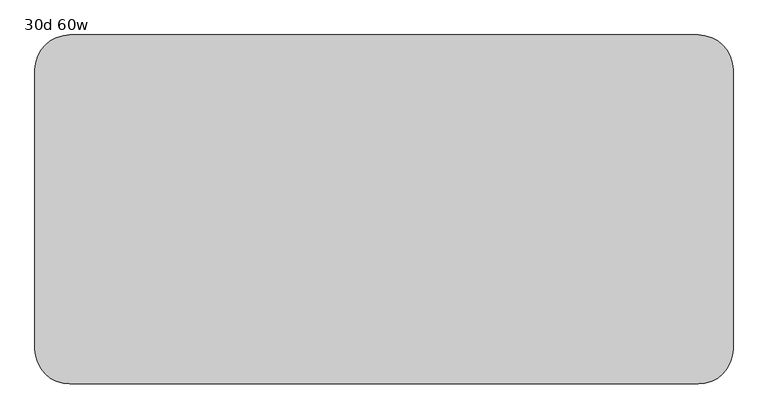
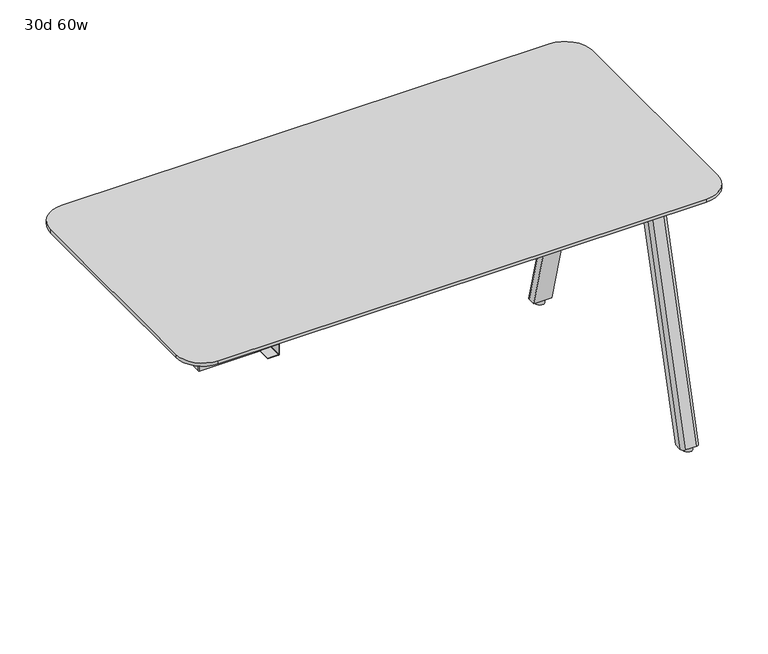
"""IFC4 building model written with IfcOpenShell, lengths in millimetres: furniture geometry, 30d 60w."""

from ifc_helpers import new_model, si_unit, point, frame, frame_2d, origin, origin_with_axes, place, context, project, spatial, polyline, circle_curve, trimmed, segment, composite_curve, outline, extrude, source, transform, mapped, element, save
from ifc_brep_helpers import plane_surface, cylinder_surface, revolved_surface, extruded_surface, advanced_brep


def furniture_30d_60w_472b2105(model_context):
    return source(origin(), model_context, "Body", "SolidModel", [
        extrude(outline(composite_curve([segment(trimmed(circle_curve(frame_2d((708.2866241, 10.4825733)), 2.9133759), [point((711.2, 10.4825733))], [point((708.2866241, 7.5691973))], False, "CARTESIAN"), True, "CONTINUOUS"), segment(polyline([(708.2866241, 7.5691973), (549.0057593, 7.5691973)]), True, "CONTINUOUS"), segment(trimmed(circle_curve(frame_2d((549.0057593, 10.4825778)), 2.9133805), [point((549.0057593, 7.5691973))], [point((546.0923788, 10.4825778))], False, "CARTESIAN"), True, "CONTINUOUS"), segment(polyline([(546.0923788, 10.4825778), (546.0923788, 59.011815)]), True, "CONTINUOUS"), segment(trimmed(circle_curve(frame_2d((545.0763787, 59.011815)), 1.0160002), [point((546.0923788, 59.011815))], [point((545.0763787, 60.0278151))], True, "CARTESIAN"), True, "CONTINUOUS"), segment(polyline([(545.0763787, 60.0278151), (516.6283794, 60.0278151)]), True, "CONTINUOUS"), segment(trimmed(circle_curve(frame_2d((516.6283797, 59.011815)), 1.0160002), [point((516.6283794, 60.0278151))], [point((515.6123795, 59.011815))], True, "CARTESIAN"), True, "CONTINUOUS"), segment(polyline([(515.6123795, 59.011815), (515.6123792, 30.1751951), (513.7149992, 30.1751951), (513.7149992, 59.011815)]), True, "CONTINUOUS"), segment(trimmed(circle_curve(frame_2d((516.6283797, 59.011815)), 2.9133805), [point((513.7149992, 59.011815))], [point((516.6283797, 61.9251955))], False, "CARTESIAN"), True, "CONTINUOUS"), segment(polyline([(516.6283797, 61.9251955), (545.0763798, 61.9251955)]), True, "CONTINUOUS"), segment(trimmed(circle_curve(frame_2d((545.0763798, 59.011815)), 2.9133805), [point((545.0763798, 61.9251955))], [point((547.9897603, 59.011815))], False, "CARTESIAN"), True, "CONTINUOUS"), segment(polyline([(547.9897603, 59.011815), (547.9897603, 10.4825733)]), True, "CONTINUOUS"), segment(trimmed(circle_curve(frame_2d((549.0057593, 10.4825733)), 1.015999), [point((547.9897603, 10.4825733))], [point((549.0057593, 9.4665743))], True, "CARTESIAN"), True, "CONTINUOUS"), segment(polyline([(549.0057593, 9.4665743), (708.2866241, 9.4665743)]), True, "CONTINUOUS"), segment(trimmed(circle_curve(frame_2d((708.2866241, 10.4825733)), 1.015999), [point((708.2866241, 9.4665743))], [point((709.3026231, 10.4825733))], True, "CARTESIAN"), True, "CONTINUOUS"), segment(polyline([(709.3026231, 10.4825733), (709.3026231, 87.3252), (711.2, 87.3252), (711.2, 10.4825733)]), True, "CONTINUOUS")], self_intersect=False)), frame((0.0, -314.0610932, 0.0), z_axis=(0.0, 1.0, 0.0), x_axis=(0.0, 0.0, 1.0)), (0.0, 0.0, 1.0), 304.8),
        extrude(outline(composite_curve([segment(polyline([(-166.6748, -314.9678875), (-166.6748, -8.3390657)]), True, "CONTINUOUS"), segment(trimmed(circle_curve(frame_2d((-164.7698109, -8.3390657)), 1.9049891), [point((-166.6748, -8.3390657))], [point((-164.7698109, -6.4340766))], False, "CARTESIAN"), True, "CONTINUOUS"), segment(polyline([(-164.7698109, -6.4340766), (8.3565948, -6.4340766), (8.3565948, -316.8728766), (-164.7698109, -316.8728766)]), True, "CONTINUOUS"), segment(trimmed(circle_curve(frame_2d((-164.7698109, -314.9678875)), 1.9049891), [point((-164.7698109, -316.8728766))], [point((-166.6748, -314.9678875))], False, "CARTESIAN"), True, "CONTINUOUS")], self_intersect=False)), frame((0.0, 0.0, 547.0829797), z_axis=(0.0, 0.0, 1.0), x_axis=(1.0, 0.0, 0.0)), (0.0, 0.0, 1.0), 164.1170203),
        extrude(outline(composite_curve([segment(polyline([(1112.4565, -66.4464359), (1004.5065004, -66.4464359)]), True, "CONTINUOUS"), segment(trimmed(circle_curve(frame_2d((1004.5065004, -56.9214359)), 9.525), [point((1004.5065004, -66.4464359))], [point((994.9815004, -56.9214359))], False, "CARTESIAN"), True, "CONTINUOUS"), segment(polyline([(994.9815004, -56.9214359), (994.9815004, 25.7519335)]), True, "CONTINUOUS"), segment(trimmed(circle_curve(frame_2d((1004.5065004, 25.7519335)), 9.525), [point((994.9815004, 25.7519335))], [point((1004.5065004, 35.2769335))], False, "CARTESIAN"), True, "CONTINUOUS"), segment(polyline([(1004.5065004, 35.2769335), (1112.4565, 35.2769335)]), True, "CONTINUOUS"), segment(trimmed(circle_curve(frame_2d((1112.4565, 25.7519335)), 9.525), [point((1112.4565, 35.2769335))], [point((1121.9815, 25.7519335))], False, "CARTESIAN"), True, "CONTINUOUS"), segment(polyline([(1121.9815, 25.7519335), (1121.9815, -56.9214359)]), True, "CONTINUOUS"), segment(trimmed(circle_curve(frame_2d((1112.4565, -56.9214359)), 9.525), [point((1121.9815, -56.9214359))], [point((1112.4565, -66.4464359))], False, "CARTESIAN"), True, "CONTINUOUS")], self_intersect=False)), frame((0.0, 0.0, 705.2055742), z_axis=(0.0, 0.0, 1.0), x_axis=(1.0, 0.0, 0.0)), (0.0, 0.0, 1.0), 5.9944258),
        advanced_brep(
        [(1106.4875, 28.0527734, 705.2055742), (1074.7375, 28.0527734, 705.2055742), (1065.2125, 18.5277734, 705.2055742), (1065.2125, -2.1097266, 705.2055742), (1116.0125, -2.1097266, 705.2055742), (1116.0125, 18.5277734, 705.2055742), (1106.4875, 214.5410641, 12.7), (1116.0125, 205.0160641, 12.7), (1116.0125, 184.3785641, 12.7), (1065.2125, 184.3785641, 12.7), (1065.2125, 205.0160641, 12.7), (1074.7375, 214.5410641, 12.7)],
        [
            (0, 1),
            (1, 2, circle_curve(frame((1074.7375, 18.5277734, 705.2055742), z_axis=(0.0, 0.0, 1.0), x_axis=(1.0, 0.0, 0.0)), 9.525)),
            (2, 3),
            (3, 4),
            (4, 5),
            (5, 0, circle_curve(frame((1106.4875, 18.5277734, 705.2055742), z_axis=(0.0, 0.0, 1.0), x_axis=(1.0, 0.0, 0.0)), 9.525)),
            (6, 7, circle_curve(frame((1106.4875, 205.0160641, 12.7), z_axis=(0.0, 0.0, -1.0), x_axis=(1.0, 0.0, 0.0)), 9.525)),
            (7, 8),
            (8, 9),
            (9, 10),
            (10, 11, circle_curve(frame((1074.7375, 205.0160641, 12.7), z_axis=(0.0, 0.0, -1.0), x_axis=(1.0, 0.0, 0.0)), 9.525)),
            (11, 6),
            (6, 0),
            (5, 7),
            (4, 8),
            (3, 9),
            (2, 10),
            (1, 11),
        ],
        [
            plane_surface(frame((1090.6125, 14.8236068, 705.2055742), z_axis=(0.0, 0.0, 1.0), x_axis=(-1.0, 0.0, 0.0))),
            plane_surface(frame((1090.6125, 201.3118975, 12.7), z_axis=(0.0, 0.0, -1.0), x_axis=(-1.0, 0.0, 0.0))),
            extruded_surface(trimmed(circle_curve(frame((1106.4875, 18.5277734, 705.2055742), z_axis=(0.0, 0.0, -1.0), x_axis=(1.0, 0.0, 0.0)), 9.525), [point((1106.4875, 28.0527734, 705.2055742))], [point((1116.0125, 18.5277734, 705.2055742))], True, "CARTESIAN"), (0.0, 186.4882907, -692.5055742), 717.1763052878136),
            plane_surface(frame((1116.0125, 194.6973141, 12.7), z_axis=(1.0, 0.0, 0.0), x_axis=(0.0, -1.0, 0.0))),
            plane_surface(frame((1090.6125, 184.3785641, 12.7), z_axis=(0.0, -0.9656001865922422, -0.260031305140414), x_axis=(-1.0, 0.0, 0.0))),
            plane_surface(frame((1065.2125, 194.6973141, 12.7), z_axis=(-1.0, 0.0, 0.0), x_axis=(0.0, 1.0, 0.0))),
            extruded_surface(trimmed(circle_curve(frame((1074.7375, 18.5277734, 705.2055742), z_axis=(0.0, 0.0, -1.0), x_axis=(1.0, 0.0, 0.0)), 9.525), [point((1065.2125, 18.5277734, 705.2055742))], [point((1074.7375, 28.0527734, 705.2055742))], True, "CARTESIAN"), (0.0, 186.4882907, -692.5055742), 717.1763052878136),
            plane_surface(frame((1090.6125, 214.5410641, 12.7), z_axis=(0.0, 0.9656001865922422, 0.260031305140414), x_axis=(1.0, 0.0, 0.0))),
        ],
        [
            (0, [[1, 2, 3, 4, 5, 6]]),
            (1, [[7, 8, 9, 10, 11, 12]]),
            (2, [[13, -6, 14, -7]]),
            (3, [[-14, -5, 15, -8]]),
            (4, [[-15, -4, 16, -9]]),
            (5, [[-16, -3, 17, -10]]),
            (6, [[-17, -2, 18, -11]]),
            (7, [[-18, -1, -13, -12]]),
        ],
    ),
        extrude(outline(composite_curve([segment(trimmed(circle_curve(frame_2d((1090.6125, 198.6660641)), 12.7), [point((1077.9125, 198.6660641))], [point((1103.3125, 198.6660641))], False, "CARTESIAN"), True, "CONTINUOUS"), segment(trimmed(circle_curve(frame_2d((1090.6125, 198.6660641)), 12.7), [point((1103.3125, 198.6660641))], [point((1077.9125, 198.6660641))], False, "CARTESIAN"), True, "CONTINUOUS")], self_intersect=False)), origin_with_axes(), (0.0, 0.0, 1.0), 12.7),
        extrude(outline(composite_curve([segment(trimmed(circle_curve(frame_2d((1112.4565, -266.3855172)), 9.525), [point((1112.4565, -256.8605172))], [point((1121.9815, -266.3855172))], False, "CARTESIAN"), True, "CONTINUOUS"), segment(polyline([(1121.9815, -266.3855172), (1121.9815, -349.0588866)]), True, "CONTINUOUS"), segment(trimmed(circle_curve(frame_2d((1112.4565, -349.0588866)), 9.525), [point((1121.9815, -349.0588866))], [point((1112.4565, -358.5838866))], False, "CARTESIAN"), True, "CONTINUOUS"), segment(polyline([(1112.4565, -358.5838866), (1004.5065004, -358.5838866)]), True, "CONTINUOUS"), segment(trimmed(circle_curve(frame_2d((1004.5065004, -349.0588866)), 9.525), [point((1004.5065004, -358.5838866))], [point((994.9815004, -349.0588866))], False, "CARTESIAN"), True, "CONTINUOUS"), segment(polyline([(994.9815004, -349.0588866), (994.9815004, -266.3855172)]), True, "CONTINUOUS"), segment(trimmed(circle_curve(frame_2d((1004.5065004, -266.3855172)), 9.525), [point((994.9815004, -266.3855172))], [point((1004.5065004, -256.8605172))], False, "CARTESIAN"), True, "CONTINUOUS"), segment(polyline([(1004.5065004, -256.8605172), (1112.4565, -256.8605172)]), True, "CONTINUOUS")], self_intersect=False)), frame((0.0, 0.0, 705.2055742), z_axis=(0.0, 0.0, 1.0), x_axis=(1.0, 0.0, 0.0)), (0.0, 0.0, 1.0), 5.9944258),
        advanced_brep(
        [(1106.4875, -351.3597266, 705.2055742), (1116.0125, -341.8347266, 705.2055742), (1116.0125, -321.1972266, 705.2055742), (1065.2125, -321.1972266, 705.2055742), (1065.2125, -341.8347266, 705.2055742), (1074.7375, -351.3597266, 705.2055742), (1106.4875, -537.8480172, 12.7), (1074.7375, -537.8480172, 12.7), (1065.2125, -528.3230172, 12.7), (1065.2125, -507.6855172, 12.7), (1116.0125, -507.6855172, 12.7), (1116.0125, -528.3230172, 12.7)],
        [
            (0, 1, circle_curve(frame((1106.4875, -341.8347266, 705.2055742), z_axis=(0.0, 0.0, 1.0), x_axis=(1.0, 0.0, 0.0)), 9.525)),
            (1, 2),
            (2, 3),
            (3, 4),
            (4, 5, circle_curve(frame((1074.7375, -341.8347266, 705.2055742), z_axis=(0.0, 0.0, 1.0), x_axis=(1.0, 0.0, 0.0)), 9.525)),
            (5, 0),
            (6, 7),
            (7, 8, circle_curve(frame((1074.7375, -528.3230172, 12.7), z_axis=(0.0, 0.0, -1.0), x_axis=(1.0, 0.0, 0.0)), 9.525)),
            (8, 9),
            (9, 10),
            (10, 11),
            (11, 6, circle_curve(frame((1106.4875, -528.3230172, 12.7), z_axis=(0.0, 0.0, -1.0), x_axis=(1.0, 0.0, 0.0)), 9.525)),
            (11, 1),
            (0, 6),
            (10, 2),
            (9, 3),
            (8, 4),
            (7, 5),
        ],
        [
            plane_surface(frame((1090.6125, -338.1305599, 705.2055742), z_axis=(0.0, 0.0, 1.0), x_axis=(-1.0, 0.0, 0.0))),
            plane_surface(frame((1090.6125, -524.6188506, 12.7), z_axis=(0.0, 0.0, -1.0), x_axis=(-1.0, 0.0, 0.0))),
            extruded_surface(trimmed(circle_curve(frame((1106.4875, -528.3230172, 12.7), z_axis=(0.0, 0.0, 1.0), x_axis=(1.0, 0.0, 0.0)), 9.525), [point((1106.4875, -537.8480172, 12.7))], [point((1116.0125, -528.3230172, 12.7))], True, "CARTESIAN"), (0.0, 186.48829059999997, 692.5055742), 717.1763052618105),
            plane_surface(frame((1116.0125, -518.0042672, 12.7), z_axis=(1.0, 0.0, 0.0), x_axis=(0.0, 1.0, 0.0))),
            plane_surface(frame((1090.6125, -507.6855172, 12.7), z_axis=(0.0, 0.9656001865922422, -0.260031305140414), x_axis=(-1.0, 0.0, 0.0))),
            plane_surface(frame((1065.2125, -518.0042672, 12.7), z_axis=(-1.0, 0.0, 0.0), x_axis=(0.0, -1.0, 0.0))),
            extruded_surface(trimmed(circle_curve(frame((1074.7375, -528.3230172, 12.7), z_axis=(0.0, 0.0, 1.0), x_axis=(1.0, 0.0, 0.0)), 9.525), [point((1065.2125, -528.3230172, 12.7))], [point((1074.7375, -537.8480172, 12.7))], True, "CARTESIAN"), (0.0, 186.48829059999997, 692.5055742), 717.1763052618105),
            plane_surface(frame((1090.6125, -537.8480172, 12.7), z_axis=(0.0, -0.9656001865922422, 0.260031305140414), x_axis=(1.0, 0.0, 0.0))),
        ],
        [
            (0, [[1, 2, 3, 4, 5, 6]]),
            (1, [[7, 8, 9, 10, 11, 12]]),
            (2, [[-12, 13, -1, 14]]),
            (3, [[-11, 15, -2, -13]]),
            (4, [[-10, 16, -3, -15]]),
            (5, [[-9, 17, -4, -16]]),
            (6, [[-8, 18, -5, -17]]),
            (7, [[-7, -14, -6, -18]]),
        ],
    ),
        extrude(outline(composite_curve([segment(trimmed(circle_curve(frame_2d((1090.6125, -521.9730172)), 12.7), [point((1077.9125, -521.9730172))], [point((1103.3125, -521.9730172))], False, "CARTESIAN"), True, "CONTINUOUS"), segment(trimmed(circle_curve(frame_2d((1090.6125, -521.9730172)), 12.7), [point((1103.3125, -521.9730172))], [point((1077.9125, -521.9730172))], False, "CARTESIAN"), True, "CONTINUOUS")], self_intersect=False)), origin_with_axes(), (0.0, 0.0, 1.0), 12.7),
        advanced_brep(
        [(-241.3, -542.6534766, 741.3625), (1130.3, -542.6534766, 741.3625), (1206.5, -466.4534766, 741.3625), (1206.5, 143.1465234, 741.3625), (1130.3, 219.3465234, 741.3625), (-241.3, 219.3465234, 741.3625), (-317.5, 143.1465234, 741.3625), (-317.5, -466.4534766, 741.3625), (1130.3, -491.8534766, 711.2), (-241.3, -491.8534766, 711.2), (-266.7, -466.4534766, 711.2), (-266.7, 143.1465234, 711.2), (-241.3, 168.5465234, 711.2), (1130.3, 168.5465234, 711.2), (1155.7, 143.1465234, 711.2), (1155.7, -466.4534766, 711.2), (-241.3, -542.6534766, 731.8375), (1130.3, -542.6534766, 731.8375), (1206.5, -466.4534766, 731.8375), (1206.5, 143.1465234, 731.8375), (1130.3, 219.3465234, 731.8375), (-241.3, 219.3465234, 731.8375), (-317.5, 143.1465234, 731.8375), (-317.5, -466.4534766, 731.8375)],
        [
            (0, 1),
            (1, 2, circle_curve(frame((1130.3, -466.4534766, 741.3625), z_axis=(0.0, 0.0, 1.0), x_axis=(1.0, 0.0, 0.0)), 76.2)),
            (2, 3),
            (3, 4, circle_curve(frame((1130.3, 143.1465234, 741.3625), z_axis=(0.0, 0.0, 1.0), x_axis=(1.0, 0.0, 0.0)), 76.2)),
            (4, 5),
            (5, 6, circle_curve(frame((-241.3, 143.1465234, 741.3625), z_axis=(0.0, 0.0, 1.0), x_axis=(1.0, 0.0, 0.0)), 76.2)),
            (6, 7),
            (7, 0, circle_curve(frame((-241.3, -466.4534766, 741.3625), z_axis=(0.0, 0.0, 1.0), x_axis=(1.0, 0.0, 0.0)), 76.2)),
            (8, 9),
            (9, 10, circle_curve(frame((-241.3, -466.4534766, 711.2), z_axis=(0.0, 0.0, -1.0), x_axis=(-1.0, 0.0, 0.0)), 25.4)),
            (10, 11),
            (11, 12, circle_curve(frame((-241.3, 143.1465234, 711.2), z_axis=(0.0, 0.0, -1.0), x_axis=(0.0, 1.0, 0.0)), 25.4)),
            (12, 13),
            (13, 14, circle_curve(frame((1130.3, 143.1465234, 711.2), z_axis=(0.0, 0.0, -1.0), x_axis=(1.0, 0.0, 0.0)), 25.4)),
            (14, 15),
            (15, 8, circle_curve(frame((1130.3, -466.4534766, 711.2), z_axis=(0.0, 0.0, -1.0), x_axis=(0.0, -1.0, 0.0)), 25.4)),
            (0, 16),
            (16, 17),
            (17, 1),
            (2, 18),
            (18, 19),
            (19, 3),
            (17, 18, circle_curve(frame((1130.3, -466.4534766, 731.8375), z_axis=(0.0, 0.0, 1.0), x_axis=(1.0, 0.0, 0.0)), 76.2)),
            (4, 20),
            (20, 21),
            (21, 5),
            (8, 17),
            (16, 9),
            (15, 18),
            (14, 19),
            (13, 20),
            (20, 19, circle_curve(frame((1130.3, 143.1465234, 731.8375), z_axis=(0.0, 0.0, -1.0), x_axis=(1.0, 0.0, 0.0)), 76.2)),
            (12, 21),
            (6, 22),
            (22, 23),
            (23, 7),
            (21, 22, circle_curve(frame((-241.3, 143.1465234, 731.8375), z_axis=(0.0, 0.0, 1.0), x_axis=(1.0, 0.0, 0.0)), 76.2)),
            (23, 16, circle_curve(frame((-241.3, -466.4534766, 731.8375), z_axis=(0.0, 0.0, 1.0), x_axis=(1.0, 0.0, 0.0)), 76.2)),
            (11, 22),
            (10, 23),
        ],
        [
            plane_surface(frame((1130.3, -542.6534766, 741.3625), z_axis=(0.0, 0.0, 1.0), x_axis=(1.0, 0.0, 0.0))),
            plane_surface(frame((1130.3, -542.6534766, 711.2), z_axis=(0.0, 0.0, -1.0), x_axis=(-1.0, 0.0, 0.0))),
            plane_surface(frame((-241.3, -542.6534766, 741.3625), z_axis=(0.0, -1.0, 0.0), x_axis=(0.0, 0.0, -1.0))),
            plane_surface(frame((1206.5, -466.4534766, 741.3625), z_axis=(1.0, 0.0, 0.0), x_axis=(0.0, 0.0, -1.0))),
            cylinder_surface(frame((1130.3, -466.4534766, 711.2), z_axis=(0.0, 0.0, 1.0), x_axis=(1.0, 0.0, 0.0)), 76.2),
            plane_surface(frame((1130.3, 219.3465234, 741.3625), z_axis=(0.0, 1.0, 0.0), x_axis=(0.0, 0.0, -1.0))),
            plane_surface(frame((-241.3, -542.6534766, 731.8375), z_axis=(0.0, -0.3763770469570871, -0.9264665771218423), x_axis=(1.0, 0.0, 0.0))),
            revolved_surface(polyline([(1130.3, -491.8534766, 711.2), (1130.3, -542.6534766, 731.8375)]), (1130.3, -466.4534766, 0.0), (0.0, 0.0, 1.0)),
            plane_surface(frame((1206.5, -466.4534766, 731.8375), z_axis=(0.3763770469570871, 0.0, -0.9264665771218423), x_axis=(0.0, 1.0, 0.0))),
            revolved_surface(polyline([(1155.7, 143.1465234, 711.2), (1206.5, 143.1465234, 731.8375)]), (1130.3, 143.1465234, 0.0), (0.0, 0.0, 1.0)),
            plane_surface(frame((1130.3, 219.3465234, 731.8375), z_axis=(0.0, 0.3763770469570871, -0.9264665771218423), x_axis=(-1.0, 0.0, 0.0))),
            cylinder_surface(frame((1130.3, 143.1465234, 711.2), z_axis=(0.0, 0.0, 1.0), x_axis=(1.0, 0.0, 0.0)), 76.2),
            plane_surface(frame((-317.5, 143.1465234, 741.3625), z_axis=(-1.0, 0.0, 0.0), x_axis=(0.0, 0.0, -1.0))),
            cylinder_surface(frame((-241.3, 143.1465234, 711.2), z_axis=(0.0, 0.0, 1.0), x_axis=(1.0, 0.0, 0.0)), 76.2),
            cylinder_surface(frame((-241.3, -466.4534766, 711.2), z_axis=(0.0, 0.0, 1.0), x_axis=(1.0, 0.0, 0.0)), 76.2),
            revolved_surface(polyline([(-241.3, 168.5465234, 711.2), (-241.3, 219.3465234, 731.8375)]), (-241.3, 143.1465234, 0.0), (0.0, 0.0, 1.0)),
            plane_surface(frame((-317.5, 143.1465234, 731.8375), z_axis=(-0.3763770469570871, 0.0, -0.9264665771218423), x_axis=(0.0, -1.0, 0.0))),
            revolved_surface(polyline([(-266.7, -466.4534766, 711.2), (-317.5, -466.4534766, 731.8375)]), (-241.3, -466.4534766, 0.0), (0.0, 0.0, 1.0)),
        ],
        [
            (0, [[1, 2, 3, 4, 5, 6, 7, 8]]),
            (1, [[9, 10, 11, 12, 13, 14, 15, 16]]),
            (2, [[-1, 17, 18, 19]]),
            (3, [[-3, 20, 21, 22]]),
            (4, [[-2, -19, 23, -20]]),
            (5, [[-5, 24, 25, 26]]),
            (6, [[27, -18, 28, -9]]),
            (7, [[-27, -16, 29, -23]]),
            (8, [[-29, -15, 30, -21]]),
            (9, [[-30, -14, 31, 32]]),
            (10, [[-31, -13, 33, -25]]),
            (11, [[-4, -22, -32, -24]]),
            (12, [[-7, 34, 35, 36]]),
            (13, [[-6, -26, 37, -34]]),
            (14, [[-8, -36, 38, -17]]),
            (15, [[-33, -12, 39, -37]]),
            (16, [[-39, -11, 40, -35]]),
            (17, [[-28, -38, -40, -10]]),
        ],
    ),
    ])


if __name__ == "__main__":
    model = new_model("IFC4")
    model_context = context("Model", 3, world=origin())
    ifc_project = project(units=[si_unit("LENGTHUNIT", "METRE", prefix="MILLI")], contexts=[model_context])
    site = spatial("IfcSite", under=ifc_project)
    building = spatial("IfcBuilding", under=site)
    placement = place(None, origin())
    furniture_30d_60w_shape = furniture_30d_60w_472b2105(model_context)
    element("IfcFurniture", 1, ObjectType="30d 60w", at=placement, inside=building, context=model_context, shape_type="MappedRepresentation", body=[
        mapped(furniture_30d_60w_shape, transform((0.0, 0.0, 0.0), x_axis=(1.0, 0.0, 0.0), y_axis=(0.0, 1.0, 0.0), z_axis=(0.0, 0.0, 1.0))),
    ])
    save(model, "model.ifc")
